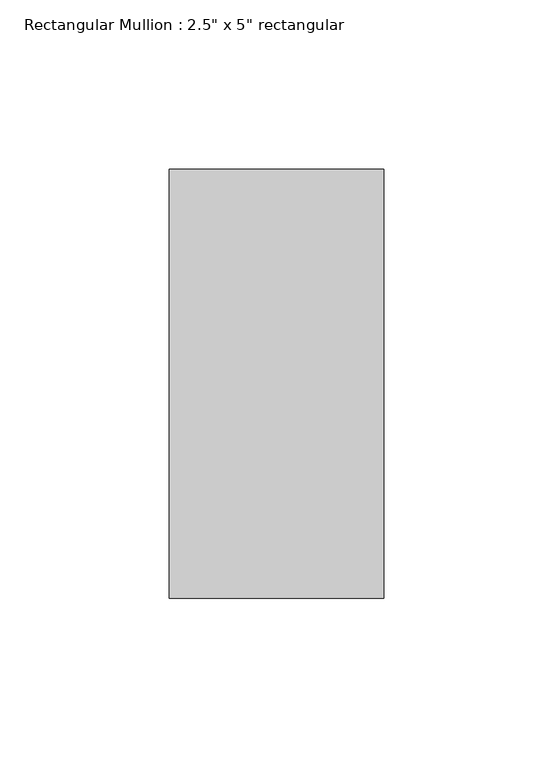
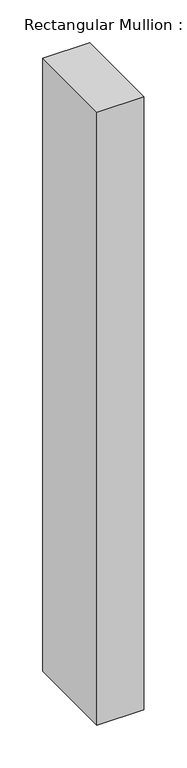
"""IFC4 building model written with IfcOpenShell, lengths in millimetres: member geometry."""

import ifcopenshell
import ifcopenshell.guid

model = None  # the IFC model being written
_history = None  # IfcOwnerHistory: only IFC2X3 demands one
_inside = {}  # id of a spatial element -> (the spatial element, [elements in it])
_under = {}  # id of a project, library or spatial element -> (it, [spatial elements below it])
_declared = {}  # id of a project -> (the project, [libraries it declares])
_typed = {}  # id of a type object -> (the type object, [elements of that type])
_made_of = {}  # id of a material, layer set ... -> (it, [elements and type objects made of it])


def new_model(schema):
    """Start an empty IFC model of exactly this schema.

    Asked for "IFC4X3", IfcOpenShell would pick the latest addendum, in which some entities
    have other attributes; the version numbers below select the first issue.
    IFC2X3 requires an IfcOwnerHistory on every rooted entity: one is made here for all.
    """
    global model, _history
    if schema == "IFC4X3":
        model = ifcopenshell.file(schema_version=(4, 3, 0, 0))
    else:
        model = ifcopenshell.file(schema=schema)
    _inside.clear()
    _under.clear()
    _declared.clear()
    _typed.clear()
    _made_of.clear()
    _history = None
    if model.schema == "IFC2X3":
        org = make("IfcOrganization", Name="unknown")
        user = make(
            "IfcPersonAndOrganization",
            ThePerson=make("IfcPerson", FamilyName="unknown"),
            TheOrganization=org,
        )
        app = make(
            "IfcApplication",
            ApplicationDeveloper=org,
            Version="unknown",
            ApplicationFullName="unknown",
            ApplicationIdentifier="unknown",
        )
        _history = make(
            "IfcOwnerHistory",
            OwningUser=user,
            OwningApplication=app,
            ChangeAction="ADDED",
            CreationDate=0,
        )
    return model


def make(cls, **values):
    """One entity of the class cls with the attributes given. An attribute that is None is left unset."""
    return model.create_entity(
        cls, **{name: value for name, value in values.items() if value is not None}
    )


def rooted(cls, **values):
    """An entity with a GlobalId (a new one), such as an element, a storey or a relation."""
    return make(cls, GlobalId=ifcopenshell.guid.new(), OwnerHistory=_history, **values)


def si_unit(unit_type, name, prefix=None):
    """IfcSIUnit, for example si_unit("LENGTHUNIT", "METRE", prefix="MILLI")."""
    return make("IfcSIUnit", UnitType=unit_type, Prefix=prefix, Name=name)


def assignment(units):
    """IfcUnitAssignment: the units of a project."""
    return None if units is None else make("IfcUnitAssignment", Units=units)


def point(xyz):
    """IfcCartesianPoint."""
    return None if xyz is None else make("IfcCartesianPoint", Coordinates=xyz)


def direction(xyz):
    """IfcDirection."""
    return None if xyz is None else make("IfcDirection", DirectionRatios=xyz)


def frame(location, z_axis=None, x_axis=None):
    """IfcAxis2Placement3D, a coordinate frame: its origin and axes. An axis left out is left unset."""
    return make(
        "IfcAxis2Placement3D",
        Location=point(location),
        Axis=direction(z_axis),
        RefDirection=direction(x_axis),
    )


def origin():
    """The frame at (0, 0, 0) with its axes left unset."""
    return frame((0.0, 0.0, 0.0))


def place(relative_to, where):
    """IfcLocalPlacement: puts the frame where relative to a parent placement (None: the world)."""
    return make(
        "IfcLocalPlacement", PlacementRelTo=relative_to, RelativePlacement=where
    )


def context(
    kind, dimensions, precision=None, world=None, true_north=None, identifier=None
):
    """IfcGeometricRepresentationContext, for example the 3D "Model" context."""
    return make(
        "IfcGeometricRepresentationContext",
        ContextIdentifier=identifier,
        ContextType=kind,
        CoordinateSpaceDimension=dimensions,
        Precision=precision,
        WorldCoordinateSystem=world,
        TrueNorth=true_north,
    )


def project(units=None, contexts=None):
    """IfcProject with its units and contexts."""
    return rooted(
        "IfcProject",
        Name="project",
        RepresentationContexts=contexts,
        UnitsInContext=assignment(units),
    )


def spatial(cls, under=None, at=None, **own):
    """A site, building, storey or space (cls), placed at a placement, below another one or the project."""
    s = rooted(cls, ObjectPlacement=at, **own)
    if under is not None:
        _under.setdefault(under.id(), (under, []))[1].append(s)
    return s


def polyline(points):
    """IfcPolyline through the points."""
    return make("IfcPolyline", Points=[point(p) for p in points])


def outline(outer, holes=None, kind="AREA"):
    """IfcArbitraryClosedProfileDef: a profile drawn as a closed curve; with holes, ...WithVoids."""
    if holes is None:
        return make("IfcArbitraryClosedProfileDef", ProfileType=kind, OuterCurve=outer)
    return make(
        "IfcArbitraryProfileDefWithVoids",
        ProfileType=kind,
        OuterCurve=outer,
        InnerCurves=holes,
    )


def extrude(swept, where, along, depth):
    """IfcExtrudedAreaSolid: the profile swept, set in the frame where, extruded along a direction by depth."""
    return make(
        "IfcExtrudedAreaSolid",
        SweptArea=swept,
        Position=where,
        ExtrudedDirection=direction(along),
        Depth=depth,
    )


def shape(context_of_items, identifier, shape_type, items):
    """IfcShapeRepresentation: the items that make up one representation, for example the "Body"."""
    return make(
        "IfcShapeRepresentation",
        ContextOfItems=context_of_items,
        RepresentationIdentifier=identifier,
        RepresentationType=shape_type,
        Items=items,
    )


def source(mapping_origin, context_of_items, identifier, shape_type, items):
    """IfcRepresentationMap: a shape defined once, which mapped items show again and again."""
    return make(
        "IfcRepresentationMap",
        MappingOrigin=mapping_origin,
        MappedRepresentation=shape(context_of_items, identifier, shape_type, items),
    )


def transform(
    local_origin,
    x_axis=None,
    y_axis=None,
    z_axis=None,
    scale=None,
    scale2=None,
    scale3=None,
    uniform=True,
):
    """IfcCartesianTransformationOperator3D, or its non-uniform kind. x_axis, y_axis, z_axis: its Axis1, 2, 3."""
    if uniform:
        return make(
            "IfcCartesianTransformationOperator3D",
            Axis1=direction(x_axis),
            Axis2=direction(y_axis),
            LocalOrigin=point(local_origin),
            Scale=scale,
            Axis3=direction(z_axis),
        )
    return make(
        "IfcCartesianTransformationOperator3DnonUniform",
        Axis1=direction(x_axis),
        Axis2=direction(y_axis),
        LocalOrigin=point(local_origin),
        Scale=scale,
        Axis3=direction(z_axis),
        Scale2=scale2,
        Scale3=scale3,
    )


def mapped(mapping_source, mapping_target):
    """IfcMappedItem: shows the shape of a source again, moved by a transform."""
    return make(
        "IfcMappedItem", MappingSource=mapping_source, MappingTarget=mapping_target
    )


def made_of(thing, what):
    """Note that an element or type object is made of a material, layer set ...; save() writes the relation."""
    if what is not None:
        _made_of.setdefault(what.id(), (what, []))[1].append(thing)
    return thing


def element(
    cls,
    number,
    at=None,
    inside=None,
    cuts=None,
    type_object=None,
    material=None,
    context=None,
    identifier="Body",
    shape_type=None,
    held_by="IfcProductDefinitionShape",
    body=None,
    shapes=None,
    **own,
):
    """One element of the class cls, such as IfcWall. Its Tag is "e" and its number.

    at: its placement. inside: the storey or other place that contains it. cuts: it is an
    opening in that element (IfcRelVoidsElement). A single representation is given by context,
    identifier, shape_type and body (its items); several are given by shapes. held_by: the class
    of the entity that holds the representations. save() writes the other relations.
    """
    e = rooted(cls, Tag="e%d" % number, ObjectPlacement=at, **own)
    if body is not None:
        shapes = [shape(context, identifier, shape_type, body)]
    if shapes is not None:
        e.Representation = make(held_by, Representations=shapes)
    if inside is not None:
        _inside.setdefault(inside.id(), (inside, []))[1].append(e)
    if cuts is not None:
        rooted(
            "IfcRelVoidsElement", RelatingBuildingElement=cuts, RelatedOpeningElement=e
        )
    if type_object is not None:
        _typed.setdefault(type_object.id(), (type_object, []))[1].append(e)
    return made_of(e, material)


def aggregate(whole, parts):
    """IfcRelAggregates: a whole, such as a stair, and the parts it consists of."""
    return rooted("IfcRelAggregates", RelatingObject=whole, RelatedObjects=parts)


def save(model, path):
    """Write the relations noted so far, then the file.

    IfcRelAggregates (storeys below a building ...), IfcRelContainedInSpatialStructure (elements
    in a storey), IfcRelDefinesByType, IfcRelAssociatesMaterial and IfcRelDeclares: one each for
    every whole, place, type object, material and project.
    """
    for whole, parts in _under.values():
        aggregate(whole, parts)
    for where, things in _inside.values():
        rooted(
            "IfcRelContainedInSpatialStructure",
            RelatedElements=things,
            RelatingStructure=where,
        )
    for kind, things in _typed.values():
        rooted("IfcRelDefinesByType", RelatedObjects=things, RelatingType=kind)
    for what, things in _made_of.values():
        rooted("IfcRelAssociatesMaterial", RelatedObjects=things, RelatingMaterial=what)
    for by, libraries in _declared.values():
        rooted("IfcRelDeclares", RelatingContext=by, RelatedDefinitions=libraries)
    model.write(path)


def member_aa254800(model_context):
    return source(origin(), model_context, "Body", "SweptSolid", [
        extrude(outline(polyline([(31.75, 63.5), (31.75, -63.5), (-31.75, -63.5), (-31.75, 63.5), (31.75, 63.5)])), frame((0.0, 0.0, -876.3), z_axis=(0.0, 0.0, 1.0), x_axis=(1.0, 0.0, 0.0)), (0.0, 0.0, 1.0), 876.3),
    ])


if __name__ == "__main__":
    model = new_model("IFC4")
    model_context = context("Model", 3, world=origin())
    ifc_project = project(units=[si_unit("LENGTHUNIT", "METRE", prefix="MILLI")], contexts=[model_context])
    site = spatial("IfcSite", under=ifc_project)
    building = spatial("IfcBuilding", under=site)
    placement = place(None, origin())
    member_shape = member_aa254800(model_context)
    element("IfcMember", 1, ObjectType="Rectangular Mullion : 2.5\" x 5\" rectangular", at=placement, inside=building, context=model_context, shape_type="MappedRepresentation", body=[
        mapped(member_shape, transform((0.0, 0.0, 0.0), x_axis=(1.0, 0.0, 0.0), y_axis=(0.0, 1.0, 0.0), z_axis=(0.0, 0.0, 1.0))),
    ])
    save(model, "model.ifc")
